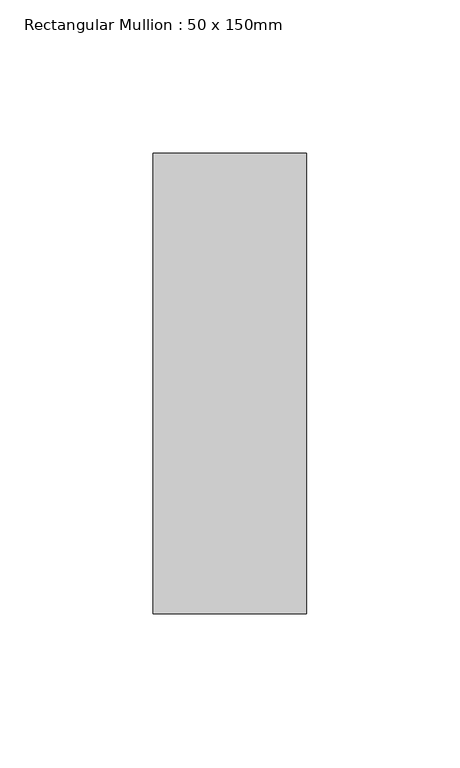
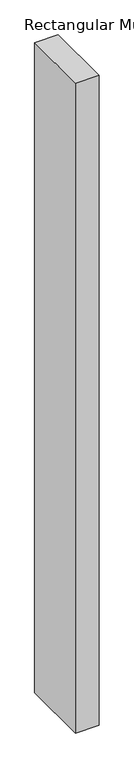
"""IFC4 building model written with IfcOpenShell, lengths in millimetres: member geometry, Rectangular Mullion : 50 x 150mm."""

from ifc_helpers import new_model, si_unit, frame, origin, place, context, project, spatial, polyline, outline, extrude, source, transform, mapped, element, save


def rectangular_mullion_50_x_150mm_121fd12c(model_context):
    return source(origin(), model_context, "Body", "SweptSolid", [
        extrude(outline(polyline([(25.0, 75.0), (25.0, -75.0), (-25.0, -75.0), (-25.0, 75.0), (25.0, 75.0)])), frame((0.0, 0.0, -1461.3002388), z_axis=(0.0, 0.0, 1.0), x_axis=(1.0, 0.0, 0.0)), (0.0, 0.0, 1.0), 1461.3002388),
    ])


if __name__ == "__main__":
    model = new_model("IFC4")
    model_context = context("Model", 3, world=origin())
    ifc_project = project(units=[si_unit("LENGTHUNIT", "METRE", prefix="MILLI")], contexts=[model_context])
    site = spatial("IfcSite", under=ifc_project)
    building = spatial("IfcBuilding", under=site)
    placement = place(None, origin())
    rectangular_mullion_50_x_150mm_shape = rectangular_mullion_50_x_150mm_121fd12c(model_context)
    element("IfcMember", 1, ObjectType="Rectangular Mullion : 50 x 150mm", at=placement, inside=building, context=model_context, shape_type="MappedRepresentation", body=[
        mapped(rectangular_mullion_50_x_150mm_shape, transform((0.0, 0.0, 0.0), x_axis=(1.0, 0.0, 0.0), y_axis=(0.0, 1.0, 0.0), z_axis=(0.0, 0.0, 1.0))),
    ])
    save(model, "model.ifc")
